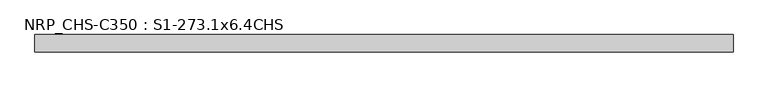
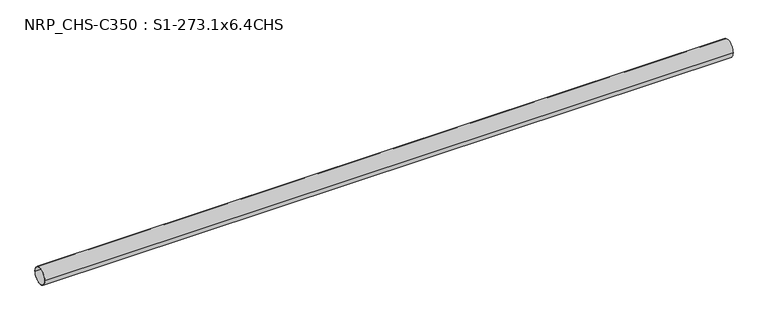
"""IFC4 building model written with IfcOpenShell, lengths in millimetres: beam geometry, NRP_CHS-C350 : S1-273.1x6.4CHS."""

import ifcopenshell
import ifcopenshell.guid

model = None  # the IFC model being written
_history = None  # IfcOwnerHistory: only IFC2X3 demands one
_inside = {}  # id of a spatial element -> (the spatial element, [elements in it])
_under = {}  # id of a project, library or spatial element -> (it, [spatial elements below it])
_declared = {}  # id of a project -> (the project, [libraries it declares])
_typed = {}  # id of a type object -> (the type object, [elements of that type])
_made_of = {}  # id of a material, layer set ... -> (it, [elements and type objects made of it])


def new_model(schema):
    """Start an empty IFC model of exactly this schema.

    Asked for "IFC4X3", IfcOpenShell would pick the latest addendum, in which some entities
    have other attributes; the version numbers below select the first issue.
    IFC2X3 requires an IfcOwnerHistory on every rooted entity: one is made here for all.
    """
    global model, _history
    if schema == "IFC4X3":
        model = ifcopenshell.file(schema_version=(4, 3, 0, 0))
    else:
        model = ifcopenshell.file(schema=schema)
    _inside.clear()
    _under.clear()
    _declared.clear()
    _typed.clear()
    _made_of.clear()
    _history = None
    if model.schema == "IFC2X3":
        org = make("IfcOrganization", Name="unknown")
        user = make(
            "IfcPersonAndOrganization",
            ThePerson=make("IfcPerson", FamilyName="unknown"),
            TheOrganization=org,
        )
        app = make(
            "IfcApplication",
            ApplicationDeveloper=org,
            Version="unknown",
            ApplicationFullName="unknown",
            ApplicationIdentifier="unknown",
        )
        _history = make(
            "IfcOwnerHistory",
            OwningUser=user,
            OwningApplication=app,
            ChangeAction="ADDED",
            CreationDate=0,
        )
    return model


def make(cls, **values):
    """One entity of the class cls with the attributes given. An attribute that is None is left unset."""
    return model.create_entity(
        cls, **{name: value for name, value in values.items() if value is not None}
    )


def rooted(cls, **values):
    """An entity with a GlobalId (a new one), such as an element, a storey or a relation."""
    return make(cls, GlobalId=ifcopenshell.guid.new(), OwnerHistory=_history, **values)


def si_unit(unit_type, name, prefix=None):
    """IfcSIUnit, for example si_unit("LENGTHUNIT", "METRE", prefix="MILLI")."""
    return make("IfcSIUnit", UnitType=unit_type, Prefix=prefix, Name=name)


def assignment(units):
    """IfcUnitAssignment: the units of a project."""
    return None if units is None else make("IfcUnitAssignment", Units=units)


def point(xyz):
    """IfcCartesianPoint."""
    return None if xyz is None else make("IfcCartesianPoint", Coordinates=xyz)


def direction(xyz):
    """IfcDirection."""
    return None if xyz is None else make("IfcDirection", DirectionRatios=xyz)


def frame(location, z_axis=None, x_axis=None):
    """IfcAxis2Placement3D, a coordinate frame: its origin and axes. An axis left out is left unset."""
    return make(
        "IfcAxis2Placement3D",
        Location=point(location),
        Axis=direction(z_axis),
        RefDirection=direction(x_axis),
    )


def frame_2d(location, x_axis=None):
    """IfcAxis2Placement2D, a coordinate frame in the plane: its origin and x axis."""
    return make(
        "IfcAxis2Placement2D", Location=point(location), RefDirection=direction(x_axis)
    )


def origin():
    """The frame at (0, 0, 0) with its axes left unset."""
    return frame((0.0, 0.0, 0.0))


def origin_2d():
    """The frame at (0, 0) in the plane with its x axis left unset."""
    return frame_2d((0.0, 0.0))


def place(relative_to, where):
    """IfcLocalPlacement: puts the frame where relative to a parent placement (None: the world)."""
    return make(
        "IfcLocalPlacement", PlacementRelTo=relative_to, RelativePlacement=where
    )


def context(
    kind, dimensions, precision=None, world=None, true_north=None, identifier=None
):
    """IfcGeometricRepresentationContext, for example the 3D "Model" context."""
    return make(
        "IfcGeometricRepresentationContext",
        ContextIdentifier=identifier,
        ContextType=kind,
        CoordinateSpaceDimension=dimensions,
        Precision=precision,
        WorldCoordinateSystem=world,
        TrueNorth=true_north,
    )


def project(units=None, contexts=None):
    """IfcProject with its units and contexts."""
    return rooted(
        "IfcProject",
        Name="project",
        RepresentationContexts=contexts,
        UnitsInContext=assignment(units),
    )


def spatial(cls, under=None, at=None, **own):
    """A site, building, storey or space (cls), placed at a placement, below another one or the project."""
    s = rooted(cls, ObjectPlacement=at, **own)
    if under is not None:
        _under.setdefault(under.id(), (under, []))[1].append(s)
    return s


def circle_curve(where, radius):
    """IfcCircle in the frame where."""
    return make("IfcCircle", Position=where, Radius=radius)


def trimmed(basis, trim1, trim2, sense, master):
    """IfcTrimmedCurve: the piece of a basis curve between two trims."""
    return make(
        "IfcTrimmedCurve",
        BasisCurve=basis,
        Trim1=trim1,
        Trim2=trim2,
        SenseAgreement=sense,
        MasterRepresentation=master,
    )


def segment(curve, same_sense, transition):
    """IfcCompositeCurveSegment."""
    return make(
        "IfcCompositeCurveSegment",
        Transition=transition,
        SameSense=same_sense,
        ParentCurve=curve,
    )


def composite_curve(segments, self_intersect=None):
    """IfcCompositeCurve: segments joined end to end."""
    return make("IfcCompositeCurve", Segments=segments, SelfIntersect=self_intersect)


def outline(outer, holes=None, kind="AREA"):
    """IfcArbitraryClosedProfileDef: a profile drawn as a closed curve; with holes, ...WithVoids."""
    if holes is None:
        return make("IfcArbitraryClosedProfileDef", ProfileType=kind, OuterCurve=outer)
    return make(
        "IfcArbitraryProfileDefWithVoids",
        ProfileType=kind,
        OuterCurve=outer,
        InnerCurves=holes,
    )


def extrude(swept, where, along, depth):
    """IfcExtrudedAreaSolid: the profile swept, set in the frame where, extruded along a direction by depth."""
    return make(
        "IfcExtrudedAreaSolid",
        SweptArea=swept,
        Position=where,
        ExtrudedDirection=direction(along),
        Depth=depth,
    )


def shape(context_of_items, identifier, shape_type, items):
    """IfcShapeRepresentation: the items that make up one representation, for example the "Body"."""
    return make(
        "IfcShapeRepresentation",
        ContextOfItems=context_of_items,
        RepresentationIdentifier=identifier,
        RepresentationType=shape_type,
        Items=items,
    )


def source(mapping_origin, context_of_items, identifier, shape_type, items):
    """IfcRepresentationMap: a shape defined once, which mapped items show again and again."""
    return make(
        "IfcRepresentationMap",
        MappingOrigin=mapping_origin,
        MappedRepresentation=shape(context_of_items, identifier, shape_type, items),
    )


def transform(
    local_origin,
    x_axis=None,
    y_axis=None,
    z_axis=None,
    scale=None,
    scale2=None,
    scale3=None,
    uniform=True,
):
    """IfcCartesianTransformationOperator3D, or its non-uniform kind. x_axis, y_axis, z_axis: its Axis1, 2, 3."""
    if uniform:
        return make(
            "IfcCartesianTransformationOperator3D",
            Axis1=direction(x_axis),
            Axis2=direction(y_axis),
            LocalOrigin=point(local_origin),
            Scale=scale,
            Axis3=direction(z_axis),
        )
    return make(
        "IfcCartesianTransformationOperator3DnonUniform",
        Axis1=direction(x_axis),
        Axis2=direction(y_axis),
        LocalOrigin=point(local_origin),
        Scale=scale,
        Axis3=direction(z_axis),
        Scale2=scale2,
        Scale3=scale3,
    )


def mapped(mapping_source, mapping_target):
    """IfcMappedItem: shows the shape of a source again, moved by a transform."""
    return make(
        "IfcMappedItem", MappingSource=mapping_source, MappingTarget=mapping_target
    )


def made_of(thing, what):
    """Note that an element or type object is made of a material, layer set ...; save() writes the relation."""
    if what is not None:
        _made_of.setdefault(what.id(), (what, []))[1].append(thing)
    return thing


def element(
    cls,
    number,
    at=None,
    inside=None,
    cuts=None,
    type_object=None,
    material=None,
    context=None,
    identifier="Body",
    shape_type=None,
    held_by="IfcProductDefinitionShape",
    body=None,
    shapes=None,
    **own,
):
    """One element of the class cls, such as IfcWall. Its Tag is "e" and its number.

    at: its placement. inside: the storey or other place that contains it. cuts: it is an
    opening in that element (IfcRelVoidsElement). A single representation is given by context,
    identifier, shape_type and body (its items); several are given by shapes. held_by: the class
    of the entity that holds the representations. save() writes the other relations.
    """
    e = rooted(cls, Tag="e%d" % number, ObjectPlacement=at, **own)
    if body is not None:
        shapes = [shape(context, identifier, shape_type, body)]
    if shapes is not None:
        e.Representation = make(held_by, Representations=shapes)
    if inside is not None:
        _inside.setdefault(inside.id(), (inside, []))[1].append(e)
    if cuts is not None:
        rooted(
            "IfcRelVoidsElement", RelatingBuildingElement=cuts, RelatedOpeningElement=e
        )
    if type_object is not None:
        _typed.setdefault(type_object.id(), (type_object, []))[1].append(e)
    return made_of(e, material)


def aggregate(whole, parts):
    """IfcRelAggregates: a whole, such as a stair, and the parts it consists of."""
    return rooted("IfcRelAggregates", RelatingObject=whole, RelatedObjects=parts)


def save(model, path):
    """Write the relations noted so far, then the file.

    IfcRelAggregates (storeys below a building ...), IfcRelContainedInSpatialStructure (elements
    in a storey), IfcRelDefinesByType, IfcRelAssociatesMaterial and IfcRelDeclares: one each for
    every whole, place, type object, material and project.
    """
    for whole, parts in _under.values():
        aggregate(whole, parts)
    for where, things in _inside.values():
        rooted(
            "IfcRelContainedInSpatialStructure",
            RelatedElements=things,
            RelatingStructure=where,
        )
    for kind, things in _typed.values():
        rooted("IfcRelDefinesByType", RelatedObjects=things, RelatingType=kind)
    for what, things in _made_of.values():
        rooted("IfcRelAssociatesMaterial", RelatedObjects=things, RelatingMaterial=what)
    for by, libraries in _declared.values():
        rooted("IfcRelDeclares", RelatingContext=by, RelatedDefinitions=libraries)
    model.write(path)


def nrp_chs_c350_s1_273_1x6_4chs_7cddf7bf(model_context):
    return source(origin(), model_context, "Body", "SweptSolid", [
        extrude(outline(composite_curve([segment(trimmed(circle_curve(origin_2d(), 136.55), [point((-136.55, 0.0))], [point((136.55, 0.0))], False, "CARTESIAN"), True, "CONTINUOUS"), segment(trimmed(circle_curve(origin_2d(), 136.55), [point((136.55, 0.0))], [point((-136.55, 0.0))], False, "CARTESIAN"), True, "CONTINUOUS")], self_intersect=False), holes=[composite_curve([segment(trimmed(circle_curve(origin_2d(), 130.15), [point((130.15, 0.0))], [point((-130.15, 0.0))], True, "CARTESIAN"), True, "CONTINUOUS"), segment(trimmed(circle_curve(origin_2d(), 130.15), [point((-130.15, 0.0))], [point((130.15, 0.0))], True, "CARTESIAN"), True, "CONTINUOUS")], self_intersect=False)]), frame((-5499.8, 0.0, 0.0), z_axis=(1.0, 0.0, 0.0), x_axis=(0.0, 1.0, 0.0)), (0.0, 0.0, 1.0), 10999.6),
    ])


if __name__ == "__main__":
    model = new_model("IFC4")
    model_context = context("Model", 3, world=origin())
    ifc_project = project(units=[si_unit("LENGTHUNIT", "METRE", prefix="MILLI")], contexts=[model_context])
    site = spatial("IfcSite", under=ifc_project)
    building = spatial("IfcBuilding", under=site)
    placement = place(None, origin())
    nrp_chs_c350_s1_273_1x6_4chs_shape = nrp_chs_c350_s1_273_1x6_4chs_7cddf7bf(model_context)
    element("IfcBeam", 1, ObjectType="NRP_CHS-C350 : S1-273.1x6.4CHS", at=placement, inside=building, context=model_context, shape_type="MappedRepresentation", body=[
        mapped(nrp_chs_c350_s1_273_1x6_4chs_shape, transform((0.0, 0.0, 0.0), x_axis=(1.0, 0.0, 0.0), y_axis=(0.0, 1.0, 0.0), z_axis=(0.0, 0.0, 1.0))),
    ])
    save(model, "model.ifc")
